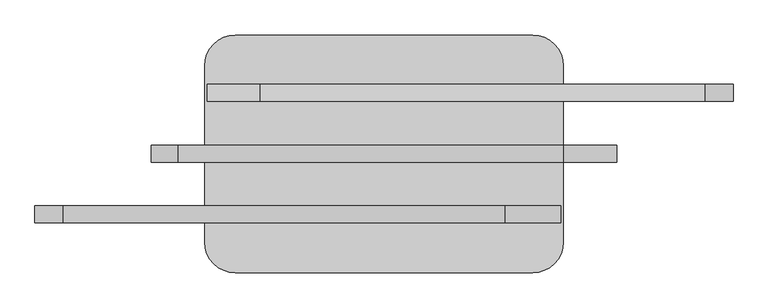
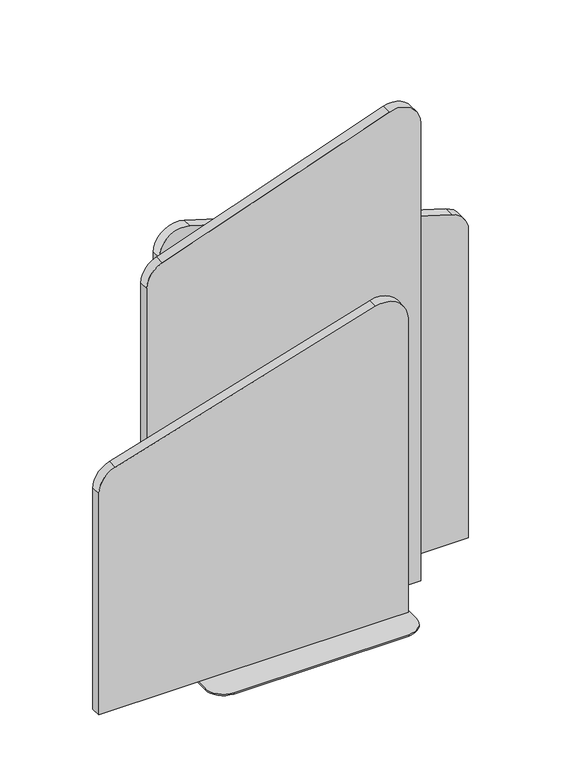
"""IFC4 building model written with IfcOpenShell, lengths in millimetres: furniture geometry."""

from ifc_helpers import new_model, si_unit, point, frame, frame_2d, origin, place, context, project, spatial, polyline, circle_curve, trimmed, segment, composite_curve, outline, extrude, source, transform, mapped, element, save
from ifc_brep_helpers import plane_surface, cylinder_surface, revolved_surface, advanced_brep


def furniture_edf49fa4(model_context):
    return source(origin(), model_context, "Body", "SolidModel", [
        advanced_brep(
        [(961.5676718, 245.1199219, 5.0000003), (348.5676371, 245.1199219, 5.0000003), (285.0676371, 181.6199219, 5.0000003), (285.0676371, -181.6199219, 5.0000003), (348.5676371, -245.1199219, 5.0000003), (961.5676718, -245.1199219, 5.0000003), (1025.0676718, -181.6199219, 5.0000003), (1025.0676718, 181.6199219, 5.0000003), (961.5676718, 245.1199219, 0.0), (1025.0676718, 181.6199219, 0.0), (1025.0676718, -181.6199219, 0.0), (961.5676718, -245.1199219, 0.0), (348.5676371, -245.1199219, 0.0), (285.0676371, -181.6199219, 0.0), (285.0676371, 181.6199219, 0.0), (348.5676371, 245.1199219, 0.0), (368.2803761, 125.5318387, 0.0), (350.6404747, 125.5318387, 0.0), (663.7902537, 125.5318387, 0.0), (646.1503524, 125.5318387, 0.0), (959.3001314, 125.5318387, 0.0), (941.66023, 125.5318387, 0.0), (520.6803761, 125.5318387, 0.0), (503.0404747, 125.5318387, 0.0), (806.9001314, 125.5318387, 0.0), (789.26023, 125.5318387, 0.0), (368.2803761, 0.3256946, 0.0), (350.6404747, 0.3256946, 0.0), (663.7902537, 0.3256946, 0.0), (646.1503524, 0.3256946, 0.0), (959.3001314, 0.3256946, 0.0), (941.66023, 0.3256946, 0.0), (520.6803761, 0.3256946, 0.0), (503.0404747, 0.3256946, 0.0), (806.9001314, 0.3256946, 0.0), (789.26023, 0.3256946, 0.0), (368.2803761, -124.3122758, 0.0), (350.6404747, -124.3122758, 0.0), (663.7902537, -124.3122758, 0.0), (646.1503524, -124.3122758, 0.0), (959.3001314, -124.3122758, 0.0), (941.66023, -124.3122758, 0.0), (520.6803761, -124.3122758, 0.0), (503.0404747, -124.3122758, 0.0), (806.9001314, -124.3122758, 0.0), (789.26023, -124.3122758, 0.0), (368.2803761, 125.5318387, 3.0348604), (350.6404747, 125.5318387, 3.0348604), (663.7902537, 125.5318387, 3.0348604), (646.1503524, 125.5318387, 3.0348604), (959.3001314, 125.5318387, 3.0348604), (941.66023, 125.5318387, 3.0348604), (520.6803761, 125.5318387, 3.0348604), (503.0404747, 125.5318387, 3.0348604), (806.9001314, 125.5318387, 3.0348604), (789.26023, 125.5318387, 3.0348604), (368.2803761, 0.3256946, 3.0348604), (350.6404747, 0.3256946, 3.0348604), (663.7902537, 0.3256946, 3.0348604), (646.1503524, 0.3256946, 3.0348604), (959.3001314, 0.3256946, 3.0348604), (941.66023, 0.3256946, 3.0348604), (520.6803761, 0.3256946, 3.0348604), (503.0404747, 0.3256946, 3.0348604), (806.9001314, 0.3256946, 3.0348604), (789.26023, 0.3256946, 3.0348604), (368.2803761, -124.3122758, 3.0348604), (350.6404747, -124.3122758, 3.0348604), (663.7902537, -124.3122758, 3.0348604), (646.1503524, -124.3122758, 3.0348604), (959.3001314, -124.3122758, 3.0348604), (941.66023, -124.3122758, 3.0348604), (520.6803761, -124.3122758, 3.0348604), (503.0404747, -124.3122758, 3.0348604), (806.9001314, -124.3122758, 3.0348604), (789.26023, -124.3122758, 3.0348604)],
        [
            (0, 1),
            (1, 2, circle_curve(frame((348.5676371, 181.6199219, 5.0000003), z_axis=(0.0, 0.0, 1.0), x_axis=(-1.0, 0.0, 0.0)), 63.5)),
            (2, 3),
            (3, 4, circle_curve(frame((348.5676371, -181.6199219, 5.0000003), z_axis=(0.0, 0.0, 1.0), x_axis=(-1.0, 0.0, 0.0)), 63.5)),
            (4, 5),
            (5, 6, circle_curve(frame((961.5676718, -181.6199219, 5.0000003), z_axis=(0.0, 0.0, 1.0), x_axis=(-1.0, 0.0, 0.0)), 63.5)),
            (6, 7),
            (7, 0, circle_curve(frame((961.5676718, 181.6199219, 5.0000003), z_axis=(0.0, 0.0, 1.0), x_axis=(-1.0, 0.0, 0.0)), 63.5)),
            (8, 9, circle_curve(frame((961.5676718, 181.6199219, 0.0), z_axis=(0.0, 0.0, -1.0), x_axis=(-1.0, 0.0, 0.0)), 63.5)),
            (9, 10),
            (10, 11, circle_curve(frame((961.5676718, -181.6199219, 0.0), z_axis=(0.0, 0.0, -1.0), x_axis=(-1.0, 0.0, 0.0)), 63.5)),
            (11, 12),
            (12, 13, circle_curve(frame((348.5676371, -181.6199219, 0.0), z_axis=(0.0, 0.0, -1.0), x_axis=(-1.0, 0.0, 0.0)), 63.5)),
            (13, 14),
            (14, 15, circle_curve(frame((348.5676371, 181.6199219, 0.0), z_axis=(0.0, 0.0, -1.0), x_axis=(-1.0, 0.0, 0.0)), 63.5)),
            (15, 8),
            (16, 17, circle_curve(frame((359.4604254, 125.5318387, 0.0), z_axis=(0.0, 0.0, 1.0), x_axis=(-1.0, 0.0, 0.0)), 8.8199507)),
            (17, 16, circle_curve(frame((359.4604254, 125.5318387, 0.0), z_axis=(0.0, 0.0, 1.0), x_axis=(-1.0, 0.0, 0.0)), 8.8199507)),
            (18, 19, circle_curve(frame((654.9703031, 125.5318387, 0.0), z_axis=(0.0, 0.0, 1.0), x_axis=(-1.0, 0.0, 0.0)), 8.8199507)),
            (19, 18, circle_curve(frame((654.9703031, 125.5318387, 0.0), z_axis=(0.0, 0.0, 1.0), x_axis=(-1.0, 0.0, 0.0)), 8.8199507)),
            (20, 21, circle_curve(frame((950.4801807, 125.5318387, 0.0), z_axis=(0.0, 0.0, 1.0), x_axis=(-1.0, 0.0, 0.0)), 8.8199507)),
            (21, 20, circle_curve(frame((950.4801807, 125.5318387, 0.0), z_axis=(0.0, 0.0, 1.0), x_axis=(-1.0, 0.0, 0.0)), 8.8199507)),
            (22, 23, circle_curve(frame((511.8604254, 125.5318387, 0.0), z_axis=(0.0, 0.0, 1.0), x_axis=(-1.0, 0.0, 0.0)), 8.8199507)),
            (23, 22, circle_curve(frame((511.8604254, 125.5318387, 0.0), z_axis=(0.0, 0.0, 1.0), x_axis=(-1.0, 0.0, 0.0)), 8.8199507)),
            (24, 25, circle_curve(frame((798.0801807, 125.5318387, 0.0), z_axis=(0.0, 0.0, 1.0), x_axis=(-1.0, 0.0, 0.0)), 8.8199507)),
            (25, 24, circle_curve(frame((798.0801807, 125.5318387, 0.0), z_axis=(0.0, 0.0, 1.0), x_axis=(-1.0, 0.0, 0.0)), 8.8199507)),
            (26, 27, circle_curve(frame((359.4604254, 0.3256946, 0.0), z_axis=(0.0, 0.0, 1.0), x_axis=(-1.0, 0.0, 0.0)), 8.8199507)),
            (27, 26, circle_curve(frame((359.4604254, 0.3256946, 0.0), z_axis=(0.0, 0.0, 1.0), x_axis=(-1.0, 0.0, 0.0)), 8.8199507)),
            (28, 29, circle_curve(frame((654.9703031, 0.3256946, 0.0), z_axis=(0.0, 0.0, 1.0), x_axis=(-1.0, 0.0, 0.0)), 8.8199507)),
            (29, 28, circle_curve(frame((654.9703031, 0.3256946, 0.0), z_axis=(0.0, 0.0, 1.0), x_axis=(-1.0, 0.0, 0.0)), 8.8199507)),
            (30, 31, circle_curve(frame((950.4801807, 0.3256946, 0.0), z_axis=(0.0, 0.0, 1.0), x_axis=(-1.0, 0.0, 0.0)), 8.8199507)),
            (31, 30, circle_curve(frame((950.4801807, 0.3256946, 0.0), z_axis=(0.0, 0.0, 1.0), x_axis=(-1.0, 0.0, 0.0)), 8.8199507)),
            (32, 33, circle_curve(frame((511.8604254, 0.3256946, 0.0), z_axis=(0.0, 0.0, 1.0), x_axis=(-1.0, 0.0, 0.0)), 8.8199507)),
            (33, 32, circle_curve(frame((511.8604254, 0.3256946, 0.0), z_axis=(0.0, 0.0, 1.0), x_axis=(-1.0, 0.0, 0.0)), 8.8199507)),
            (34, 35, circle_curve(frame((798.0801807, 0.3256946, 0.0), z_axis=(0.0, 0.0, 1.0), x_axis=(-1.0, 0.0, 0.0)), 8.8199507)),
            (35, 34, circle_curve(frame((798.0801807, 0.3256946, 0.0), z_axis=(0.0, 0.0, 1.0), x_axis=(-1.0, 0.0, 0.0)), 8.8199507)),
            (36, 37, circle_curve(frame((359.4604254, -124.3122758, 0.0), z_axis=(0.0, 0.0, 1.0), x_axis=(-1.0, 0.0, 0.0)), 8.8199507)),
            (37, 36, circle_curve(frame((359.4604254, -124.3122758, 0.0), z_axis=(0.0, 0.0, 1.0), x_axis=(-1.0, 0.0, 0.0)), 8.8199507)),
            (38, 39, circle_curve(frame((654.9703031, -124.3122758, 0.0), z_axis=(0.0, 0.0, 1.0), x_axis=(-1.0, 0.0, 0.0)), 8.8199507)),
            (39, 38, circle_curve(frame((654.9703031, -124.3122758, 0.0), z_axis=(0.0, 0.0, 1.0), x_axis=(-1.0, 0.0, 0.0)), 8.8199507)),
            (40, 41, circle_curve(frame((950.4801807, -124.3122758, 0.0), z_axis=(0.0, 0.0, 1.0), x_axis=(-1.0, 0.0, 0.0)), 8.8199507)),
            (41, 40, circle_curve(frame((950.4801807, -124.3122758, 0.0), z_axis=(0.0, 0.0, 1.0), x_axis=(-1.0, 0.0, 0.0)), 8.8199507)),
            (42, 43, circle_curve(frame((511.8604254, -124.3122758, 0.0), z_axis=(0.0, 0.0, 1.0), x_axis=(-1.0, 0.0, 0.0)), 8.8199507)),
            (43, 42, circle_curve(frame((511.8604254, -124.3122758, 0.0), z_axis=(0.0, 0.0, 1.0), x_axis=(-1.0, 0.0, 0.0)), 8.8199507)),
            (44, 45, circle_curve(frame((798.0801807, -124.3122758, 0.0), z_axis=(0.0, 0.0, 1.0), x_axis=(-1.0, 0.0, 0.0)), 8.8199507)),
            (45, 44, circle_curve(frame((798.0801807, -124.3122758, 0.0), z_axis=(0.0, 0.0, 1.0), x_axis=(-1.0, 0.0, 0.0)), 8.8199507)),
            (0, 8),
            (15, 1),
            (14, 2),
            (13, 3),
            (12, 4),
            (11, 5),
            (10, 6),
            (9, 7),
            (46, 47, circle_curve(frame((359.4604254, 125.5318387, 3.0348604), z_axis=(0.0, 0.0, -1.0), x_axis=(-1.0, 0.0, 0.0)), 8.8199507)),
            (47, 46, circle_curve(frame((359.4604254, 125.5318387, 3.0348604), z_axis=(0.0, 0.0, -1.0), x_axis=(-1.0, 0.0, 0.0)), 8.8199507)),
            (48, 49, circle_curve(frame((654.9703031, 125.5318387, 3.0348604), z_axis=(0.0, 0.0, -1.0), x_axis=(-1.0, 0.0, 0.0)), 8.8199507)),
            (49, 48, circle_curve(frame((654.9703031, 125.5318387, 3.0348604), z_axis=(0.0, 0.0, -1.0), x_axis=(-1.0, 0.0, 0.0)), 8.8199507)),
            (50, 51, circle_curve(frame((950.4801807, 125.5318387, 3.0348604), z_axis=(0.0, 0.0, -1.0), x_axis=(-1.0, 0.0, 0.0)), 8.8199507)),
            (51, 50, circle_curve(frame((950.4801807, 125.5318387, 3.0348604), z_axis=(0.0, 0.0, -1.0), x_axis=(-1.0, 0.0, 0.0)), 8.8199507)),
            (52, 53, circle_curve(frame((511.8604254, 125.5318387, 3.0348604), z_axis=(0.0, 0.0, -1.0), x_axis=(-1.0, 0.0, 0.0)), 8.8199507)),
            (53, 52, circle_curve(frame((511.8604254, 125.5318387, 3.0348604), z_axis=(0.0, 0.0, -1.0), x_axis=(-1.0, 0.0, 0.0)), 8.8199507)),
            (54, 55, circle_curve(frame((798.0801807, 125.5318387, 3.0348604), z_axis=(0.0, 0.0, -1.0), x_axis=(-1.0, 0.0, 0.0)), 8.8199507)),
            (55, 54, circle_curve(frame((798.0801807, 125.5318387, 3.0348604), z_axis=(0.0, 0.0, -1.0), x_axis=(-1.0, 0.0, 0.0)), 8.8199507)),
            (56, 57, circle_curve(frame((359.4604254, 0.3256946, 3.0348604), z_axis=(0.0, 0.0, -1.0), x_axis=(-1.0, 0.0, 0.0)), 8.8199507)),
            (57, 56, circle_curve(frame((359.4604254, 0.3256946, 3.0348604), z_axis=(0.0, 0.0, -1.0), x_axis=(-1.0, 0.0, 0.0)), 8.8199507)),
            (58, 59, circle_curve(frame((654.9703031, 0.3256946, 3.0348604), z_axis=(0.0, 0.0, -1.0), x_axis=(-1.0, 0.0, 0.0)), 8.8199507)),
            (59, 58, circle_curve(frame((654.9703031, 0.3256946, 3.0348604), z_axis=(0.0, 0.0, -1.0), x_axis=(-1.0, 0.0, 0.0)), 8.8199507)),
            (60, 61, circle_curve(frame((950.4801807, 0.3256946, 3.0348604), z_axis=(0.0, 0.0, -1.0), x_axis=(-1.0, 0.0, 0.0)), 8.8199507)),
            (61, 60, circle_curve(frame((950.4801807, 0.3256946, 3.0348604), z_axis=(0.0, 0.0, -1.0), x_axis=(-1.0, 0.0, 0.0)), 8.8199507)),
            (62, 63, circle_curve(frame((511.8604254, 0.3256946, 3.0348604), z_axis=(0.0, 0.0, -1.0), x_axis=(-1.0, 0.0, 0.0)), 8.8199507)),
            (63, 62, circle_curve(frame((511.8604254, 0.3256946, 3.0348604), z_axis=(0.0, 0.0, -1.0), x_axis=(-1.0, 0.0, 0.0)), 8.8199507)),
            (64, 65, circle_curve(frame((798.0801807, 0.3256946, 3.0348604), z_axis=(0.0, 0.0, -1.0), x_axis=(-1.0, 0.0, 0.0)), 8.8199507)),
            (65, 64, circle_curve(frame((798.0801807, 0.3256946, 3.0348604), z_axis=(0.0, 0.0, -1.0), x_axis=(-1.0, 0.0, 0.0)), 8.8199507)),
            (66, 67, circle_curve(frame((359.4604254, -124.3122758, 3.0348604), z_axis=(0.0, 0.0, -1.0), x_axis=(-1.0, 0.0, 0.0)), 8.8199507)),
            (67, 66, circle_curve(frame((359.4604254, -124.3122758, 3.0348604), z_axis=(0.0, 0.0, -1.0), x_axis=(-1.0, 0.0, 0.0)), 8.8199507)),
            (68, 69, circle_curve(frame((654.9703031, -124.3122758, 3.0348604), z_axis=(0.0, 0.0, -1.0), x_axis=(-1.0, 0.0, 0.0)), 8.8199507)),
            (69, 68, circle_curve(frame((654.9703031, -124.3122758, 3.0348604), z_axis=(0.0, 0.0, -1.0), x_axis=(-1.0, 0.0, 0.0)), 8.8199507)),
            (70, 71, circle_curve(frame((950.4801807, -124.3122758, 3.0348604), z_axis=(0.0, 0.0, -1.0), x_axis=(-1.0, 0.0, 0.0)), 8.8199507)),
            (71, 70, circle_curve(frame((950.4801807, -124.3122758, 3.0348604), z_axis=(0.0, 0.0, -1.0), x_axis=(-1.0, 0.0, 0.0)), 8.8199507)),
            (72, 73, circle_curve(frame((511.8604254, -124.3122758, 3.0348604), z_axis=(0.0, 0.0, -1.0), x_axis=(-1.0, 0.0, 0.0)), 8.8199507)),
            (73, 72, circle_curve(frame((511.8604254, -124.3122758, 3.0348604), z_axis=(0.0, 0.0, -1.0), x_axis=(-1.0, 0.0, 0.0)), 8.8199507)),
            (74, 75, circle_curve(frame((798.0801807, -124.3122758, 3.0348604), z_axis=(0.0, 0.0, -1.0), x_axis=(-1.0, 0.0, 0.0)), 8.8199507)),
            (75, 74, circle_curve(frame((798.0801807, -124.3122758, 3.0348604), z_axis=(0.0, 0.0, -1.0), x_axis=(-1.0, 0.0, 0.0)), 8.8199507)),
            (47, 17),
            (16, 46),
            (49, 19),
            (18, 48),
            (51, 21),
            (20, 50),
            (53, 23),
            (22, 52),
            (55, 25),
            (24, 54),
            (57, 27),
            (26, 56),
            (59, 29),
            (28, 58),
            (61, 31),
            (30, 60),
            (63, 33),
            (32, 62),
            (65, 35),
            (34, 64),
            (67, 37),
            (36, 66),
            (69, 39),
            (38, 68),
            (71, 41),
            (40, 70),
            (73, 43),
            (42, 72),
            (75, 45),
            (44, 74),
        ],
        [
            plane_surface(frame((348.5676371, 245.1199219, 5.0000003), z_axis=(0.0, 0.0, 1.0), x_axis=(-1.0, 0.0, 0.0))),
            plane_surface(frame((348.5676371, 245.1199219, 0.0), z_axis=(0.0, 0.0, -1.0), x_axis=(1.0, 0.0, 0.0))),
            plane_surface(frame((961.5676718, 245.1199219, 5.0000003), z_axis=(0.0, 1.0, 0.0), x_axis=(0.0, 0.0, -1.0))),
            cylinder_surface(frame((348.5676371, 181.6199219, 0.0), z_axis=(0.0, 0.0, 1.0), x_axis=(-1.0, 0.0, 0.0)), 63.5),
            plane_surface(frame((285.0676371, 181.6199219, 5.0000003), z_axis=(-1.0, 0.0, 0.0), x_axis=(0.0, 0.0, -1.0))),
            cylinder_surface(frame((348.5676371, -181.6199219, 0.0), z_axis=(0.0, 0.0, 1.0), x_axis=(-1.0, 0.0, 0.0)), 63.5),
            plane_surface(frame((348.5676371, -245.1199219, 5.0000003), z_axis=(0.0, -1.0, 0.0), x_axis=(0.0, 0.0, -1.0))),
            cylinder_surface(frame((961.5676718, -181.6199219, 0.0), z_axis=(0.0, 0.0, 1.0), x_axis=(-1.0, 0.0, 0.0)), 63.5),
            plane_surface(frame((1025.0676718, -181.6199219, 5.0000003), z_axis=(1.0, 0.0, 0.0), x_axis=(0.0, 0.0, -1.0))),
            cylinder_surface(frame((961.5676718, 181.6199219, 0.0), z_axis=(0.0, 0.0, 1.0), x_axis=(-1.0, 0.0, 0.0)), 63.5),
            plane_surface(frame((350.6404747, 125.5318387, 3.0348604), z_axis=(0.0, 0.0, -1.0), x_axis=(0.0, -1.0, 0.0))),
            revolved_surface(polyline([(350.6404747, 125.5318387, 3.0348603999999995), (350.6404747, 125.5318387, 0.0)]), (359.4604254, 125.5318387, -21.0018448), (0.0, 0.0, 1.0)),
            revolved_surface(polyline([(646.1503524, 125.5318387, 3.0348603999999995), (646.1503524, 125.5318387, 0.0)]), (654.9703031, 125.5318387, 10.0140625), (0.0, 0.0, 1.0)),
            revolved_surface(polyline([(941.66023, 125.5318387, 3.0348603999999995), (941.66023, 125.5318387, 0.0)]), (950.4801807, 125.5318387, 10.0140625), (0.0, 0.0, 1.0)),
            revolved_surface(polyline([(503.0404747, 125.5318387, 3.0348603999999995), (503.0404747, 125.5318387, 0.0)]), (511.8604254, 125.5318387, 10.0140625), (0.0, 0.0, 1.0)),
            revolved_surface(polyline([(789.26023, 125.5318387, 3.0348603999999995), (789.26023, 125.5318387, 0.0)]), (798.0801807, 125.5318387, 10.0140625), (0.0, 0.0, 1.0)),
            revolved_surface(polyline([(350.6404747, 0.3256946, 3.0348603999999995), (350.6404747, 0.3256946, 0.0)]), (359.4604254, 0.3256946, 10.0140625), (0.0, 0.0, 1.0)),
            revolved_surface(polyline([(646.1503524, 0.3256946, 3.0348603999999995), (646.1503524, 0.3256946, 0.0)]), (654.9703031, 0.3256946, 10.0140625), (0.0, 0.0, 1.0)),
            revolved_surface(polyline([(941.66023, 0.3256946, 3.0348603999999995), (941.66023, 0.3256946, 0.0)]), (950.4801807, 0.3256946, 10.0140625), (0.0, 0.0, 1.0)),
            revolved_surface(polyline([(503.0404747, 0.3256946, 3.0348603999999995), (503.0404747, 0.3256946, 0.0)]), (511.8604254, 0.3256946, 10.0140625), (0.0, 0.0, 1.0)),
            revolved_surface(polyline([(789.26023, 0.3256946, 3.0348603999999995), (789.26023, 0.3256946, 0.0)]), (798.0801807, 0.3256946, 10.0140625), (0.0, 0.0, 1.0)),
            revolved_surface(polyline([(350.6404747, -124.3122758, 3.0348603999999995), (350.6404747, -124.3122758, 0.0)]), (359.4604254, -124.3122758, 10.0140625), (0.0, 0.0, 1.0)),
            revolved_surface(polyline([(646.1503524, -124.3122758, 3.0348603999999995), (646.1503524, -124.3122758, 0.0)]), (654.9703031, -124.3122758, 10.0140625), (0.0, 0.0, 1.0)),
            revolved_surface(polyline([(941.66023, -124.3122758, 3.0348603999999995), (941.66023, -124.3122758, 0.0)]), (950.4801807, -124.3122758, 10.0140625), (0.0, 0.0, 1.0)),
            revolved_surface(polyline([(503.0404747, -124.3122758, 3.0348603999999995), (503.0404747, -124.3122758, 0.0)]), (511.8604254, -124.3122758, 10.0140625), (0.0, 0.0, 1.0)),
            revolved_surface(polyline([(789.26023, -124.3122758, 3.0348603999999995), (789.26023, -124.3122758, 0.0)]), (798.0801807, -124.3122758, 10.0140625), (0.0, 0.0, 1.0)),
        ],
        [
            (0, [[1, 2, 3, 4, 5, 6, 7, 8]]),
            (1, [[9, 10, 11, 12, 13, 14, 15, 16], [17, 18], [19, 20], [21, 22], [23, 24], [25, 26], [27, 28], [29, 30], [31, 32], [33, 34], [35, 36], [37, 38], [39, 40], [41, 42], [43, 44], [45, 46]]),
            (2, [[-1, 47, -16, 48]]),
            (3, [[-2, -48, -15, 49]]),
            (4, [[-3, -49, -14, 50]]),
            (5, [[-4, -50, -13, 51]]),
            (6, [[-5, -51, -12, 52]]),
            (7, [[-6, -52, -11, 53]]),
            (8, [[-7, -53, -10, 54]]),
            (9, [[-8, -54, -9, -47]]),
            (10, [[55, 56]]),
            (10, [[57, 58]]),
            (10, [[59, 60]]),
            (10, [[61, 62]]),
            (10, [[63, 64]]),
            (10, [[65, 66]]),
            (10, [[67, 68]]),
            (10, [[69, 70]]),
            (10, [[71, 72]]),
            (10, [[73, 74]]),
            (10, [[75, 76]]),
            (10, [[77, 78]]),
            (10, [[79, 80]]),
            (10, [[81, 82]]),
            (10, [[83, 84]]),
            (11, [[-56, 85, -17, 86]]),
            (11, [[-55, -86, -18, -85]]),
            (12, [[-58, 87, -19, 88]]),
            (12, [[-57, -88, -20, -87]]),
            (13, [[-60, 89, -21, 90]]),
            (13, [[-59, -90, -22, -89]]),
            (14, [[-62, 91, -23, 92]]),
            (14, [[-61, -92, -24, -91]]),
            (15, [[-64, 93, -25, 94]]),
            (15, [[-63, -94, -26, -93]]),
            (16, [[-66, 95, -27, 96]]),
            (16, [[-65, -96, -28, -95]]),
            (17, [[-68, 97, -29, 98]]),
            (17, [[-67, -98, -30, -97]]),
            (18, [[-70, 99, -31, 100]]),
            (18, [[-69, -100, -32, -99]]),
            (19, [[-72, 101, -33, 102]]),
            (19, [[-71, -102, -34, -101]]),
            (20, [[-74, 103, -35, 104]]),
            (20, [[-73, -104, -36, -103]]),
            (21, [[-76, 105, -37, 106]]),
            (21, [[-75, -106, -38, -105]]),
            (22, [[-78, 107, -39, 108]]),
            (22, [[-77, -108, -40, -107]]),
            (23, [[-80, 109, -41, 110]]),
            (23, [[-79, -110, -42, -109]]),
            (24, [[-82, 111, -43, 112]]),
            (24, [[-81, -112, -44, -111]]),
            (25, [[-84, 113, -45, 114]]),
            (25, [[-83, -114, -46, -113]]),
        ],
    ),
        extrude(outline(composite_curve([segment(polyline([(5.0000003, 175.1883721), (5.0000003, 1134.9488015), (1702.3925821, 1134.9488015)]), True, "CONTINUOUS"), segment(trimmed(circle_curve(frame_2d((1702.3925821, 1052.3988015)), 82.55), [point((1702.3925821, 1134.9488015))], [point((1780.2687827, 1025.0163275))], False, "CARTESIAN"), True, "CONTINUOUS"), segment(polyline([(1780.2687827, 1025.0163275), (1500.8539115, 230.3558981)]), True, "CONTINUOUS"), segment(trimmed(circle_curve(frame_2d((1422.9777109, 257.7383721)), 82.55), [point((1500.8539115, 230.3558981))], [point((1422.9777109, 175.1883721))], False, "CARTESIAN"), True, "CONTINUOUS"), segment(polyline([(1422.9777109, 175.1883721), (5.0000003, 175.1883721)]), True, "CONTINUOUS")], self_intersect=False)), frame((0.0, -16.989355, 0.0), z_axis=(0.0, 1.0, 0.0), x_axis=(0.0, 0.0, 1.0)), (0.0, 0.0, 1.0), 35.0423855),
        extrude(outline(composite_curve([segment(polyline([(5.0000003, 1374.8615824), (1144.1897931, 1374.8615824)]), True, "CONTINUOUS"), segment(trimmed(circle_curve(frame_2d((1144.1897931, 1292.3115824)), 82.55), [point((1144.1897931, 1374.8615824))], [point((1223.1660355, 1316.3377271))], False, "CARTESIAN"), True, "CONTINUOUS"), segment(polyline([(1223.1660355, 1316.3377271), (1501.9592144, 399.9178067)]), True, "CONTINUOUS"), segment(trimmed(circle_curve(frame_2d((1421.2743514, 375.3718656)), 84.3359375), [point((1501.9592144, 399.9178067))], [point((1421.2743514, 291.0359281))], False, "CARTESIAN"), True, "CONTINUOUS"), segment(polyline([(1421.2743514, 291.0359281), (5.0000003, 291.0359281), (5.0000003, 1374.8615824)]), True, "CONTINUOUS")], self_intersect=False)), frame((0.0, 108.0106425, 0.0), z_axis=(0.0, 1.0, 0.0), x_axis=(0.0, 0.0, 1.0)), (0.0, 0.0, 1.0), 35.0423923),
        extrude(outline(composite_curve([segment(polyline([(5.0000003, -64.8125548), (5.0000003, 1019.0130995), (1093.9437315, 1019.0130995)]), True, "CONTINUOUS"), segment(trimmed(circle_curve(frame_2d((1093.9437315, 930.1130995)), 88.9), [point((1093.9437315, 1019.0130995))], [point((1178.9971252, 904.2455481))], False, "CARTESIAN"), True, "CONTINUOUS"), segment(polyline([(1178.9971252, 904.2455481), (902.0754404, -6.282424)]), True, "CONTINUOUS"), segment(trimmed(circle_curve(frame_2d((823.0972891, 17.7374452)), 82.55), [point((902.0754404, -6.282424))], [point((823.0972891, -64.8125548))], False, "CARTESIAN"), True, "CONTINUOUS"), segment(polyline([(823.0972891, -64.8125548), (5.0000003, -64.8125548)]), True, "CONTINUOUS")], self_intersect=False)), frame((0.0, -141.9893594, 0.0), z_axis=(0.0, 1.0, 0.0), x_axis=(0.0, 0.0, 1.0)), (0.0, 0.0, 1.0), 35.0423923),
    ])


if __name__ == "__main__":
    model = new_model("IFC4")
    model_context = context("Model", 3, world=origin())
    ifc_project = project(units=[si_unit("LENGTHUNIT", "METRE", prefix="MILLI")], contexts=[model_context])
    site = spatial("IfcSite", under=ifc_project)
    building = spatial("IfcBuilding", under=site)
    placement = place(None, origin())
    furniture_shape = furniture_edf49fa4(model_context)
    element("IfcFurniture", 1, at=placement, inside=building, context=model_context, shape_type="MappedRepresentation", body=[
        mapped(furniture_shape, transform((0.0, 0.0, 0.0), x_axis=(1.0, 0.0, 0.0), y_axis=(0.0, 1.0, 0.0), z_axis=(0.0, 0.0, 1.0))),
    ])
    save(model, "model.ifc")
